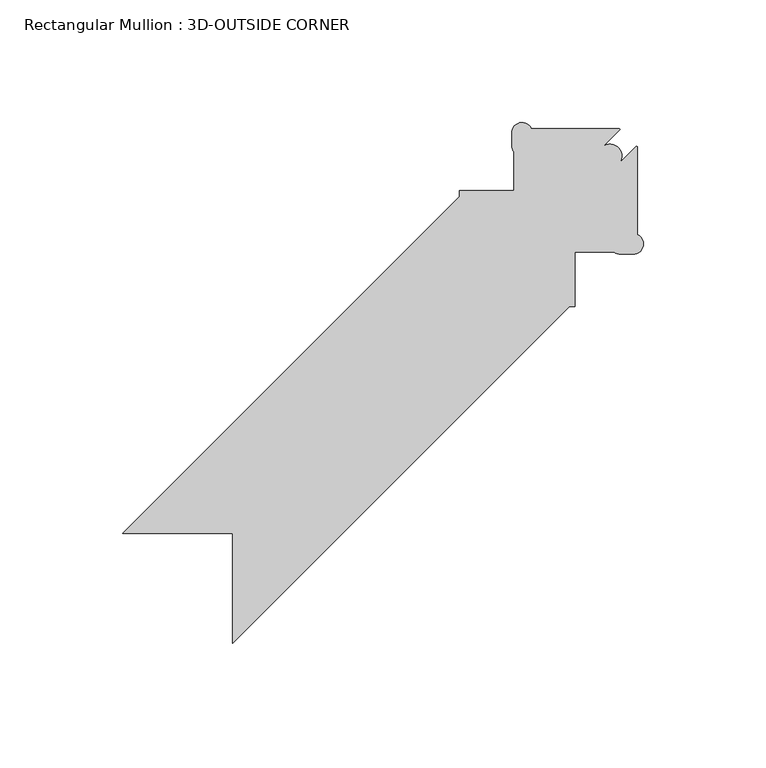
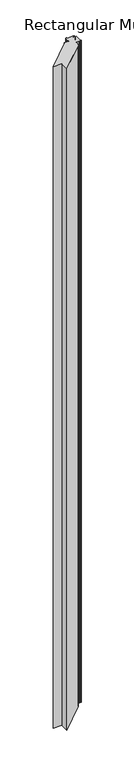
"""IFC4 building model written with IfcOpenShell, lengths in millimetres: member geometry, Rectangular Mullion : 3D-OUTSIDE CORNER."""

from ifc_helpers import new_model, si_unit, point, frame, frame_2d, origin, place, context, project, spatial, polyline, circle_curve, trimmed, segment, composite_curve, outline, extrude, source, transform, mapped, element, save


def rectangular_mullion_3d_outside_corner_9d039bc4(model_context):
    return source(origin(), model_context, "Body", "SweptSolid", [
        extrude(outline(composite_curve([segment(polyline([(-167.5481353, -200.4762806), (-167.5481353, -155.5749998), (-212.4494157, -155.5749998), (-75.0354158, -18.161), (-75.0354158, -15.875), (-52.8104158, -15.875), (-52.8104158, 0.0135819)]), True, "CONTINUOUS"), segment(trimmed(circle_curve(frame_2d((-49.5401527, 2.6957825)), 4.2295178), [point((-52.8104158, 0.0135819))], [point((-53.6994158, 1.9280903))], False, "CARTESIAN"), True, "CONTINUOUS"), segment(polyline([(-53.6994158, 1.9280903), (-53.6994158, 8.5113096)]), True, "CONTINUOUS"), segment(trimmed(circle_curve(frame_2d((-49.5401527, 7.7436174)), 4.2295178), [point((-53.6994158, 8.5113096))], [point((-45.7040743, 9.5249998))], False, "CARTESIAN"), True, "CONTINUOUS"), segment(polyline([(-45.7040743, 9.5249998), (-10.0329846, 9.5249997)]), True, "CONTINUOUS"), segment(trimmed(circle_curve(frame_2d((-10.0329846, 9.1439997)), 0.381), [point((-10.0329846, 9.5249997))], [point((-9.763577, 8.8745921))], False, "CARTESIAN"), True, "CONTINUOUS"), segment(polyline([(-9.763577, 8.8745921), (-16.6661119, 1.9720571)]), True, "CONTINUOUS"), segment(trimmed(circle_curve(frame_2d((-13.5281635, -1.6056404)), 4.7588485), [point((-16.6661119, 1.9720571))], [point((-9.7954671, -4.557524))], False, "CARTESIAN"), True, "CONTINUOUS"), segment(polyline([(-9.7954671, -4.557524), (-3.0985431, 2.1394)]), True, "CONTINUOUS"), segment(trimmed(circle_curve(frame_2d((-2.8291354, 1.8699923)), 0.381), [point((-3.0985431, 2.1394))], [point((-2.4481354, 1.8699923))], False, "CARTESIAN"), True, "CONTINUOUS"), segment(polyline([(-2.4481354, 1.8699923), (-2.4481355, -33.7309391)]), True, "CONTINUOUS"), segment(trimmed(circle_curve(frame_2d((-4.2295178, -37.5670176)), 4.2295178), [point((-2.4481355, -33.7309391))], [point((-3.4618256, -41.7262806))], False, "CARTESIAN"), True, "CONTINUOUS"), segment(polyline([(-3.4618256, -41.7262806), (-10.0450449, -41.7262806)]), True, "CONTINUOUS"), segment(trimmed(circle_curve(frame_2d((-9.2773527, -37.5670176)), 4.2295178), [point((-10.0450449, -41.7262806))], [point((-11.9595533, -40.8372806))], False, "CARTESIAN"), True, "CONTINUOUS"), segment(polyline([(-11.9595533, -40.8372806), (-27.8481352, -40.8372806), (-27.8481352, -63.0622806), (-30.1341352, -63.0622806), (-167.5481353, -200.4762806)]), True, "CONTINUOUS")], self_intersect=False)), frame((0.0, 0.0, -3657.6), z_axis=(0.0, 0.0, 1.0), x_axis=(1.0, 0.0, 0.0)), (0.0, 0.0, 1.0), 3657.6),
    ])


if __name__ == "__main__":
    model = new_model("IFC4")
    model_context = context("Model", 3, world=origin())
    ifc_project = project(units=[si_unit("LENGTHUNIT", "METRE", prefix="MILLI")], contexts=[model_context])
    site = spatial("IfcSite", under=ifc_project)
    building = spatial("IfcBuilding", under=site)
    placement = place(None, origin())
    rectangular_mullion_3d_outside_corner_shape = rectangular_mullion_3d_outside_corner_9d039bc4(model_context)
    element("IfcMember", 1, ObjectType="Rectangular Mullion : 3D-OUTSIDE CORNER", at=placement, inside=building, context=model_context, shape_type="MappedRepresentation", body=[
        mapped(rectangular_mullion_3d_outside_corner_shape, transform((0.0, 0.0, 0.0), x_axis=(1.0, 0.0, 0.0), y_axis=(0.0, 1.0, 0.0), z_axis=(0.0, 0.0, 1.0))),
    ])
    save(model, "model.ifc")
